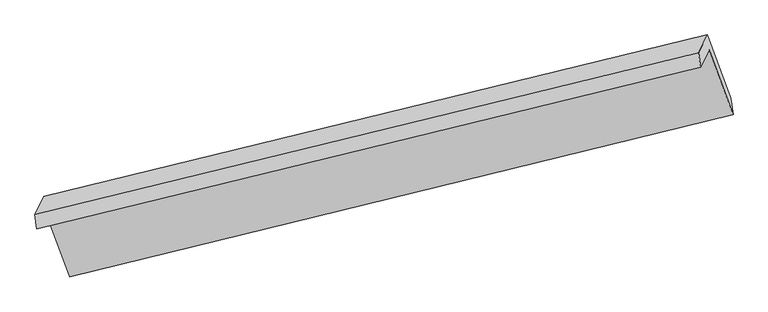
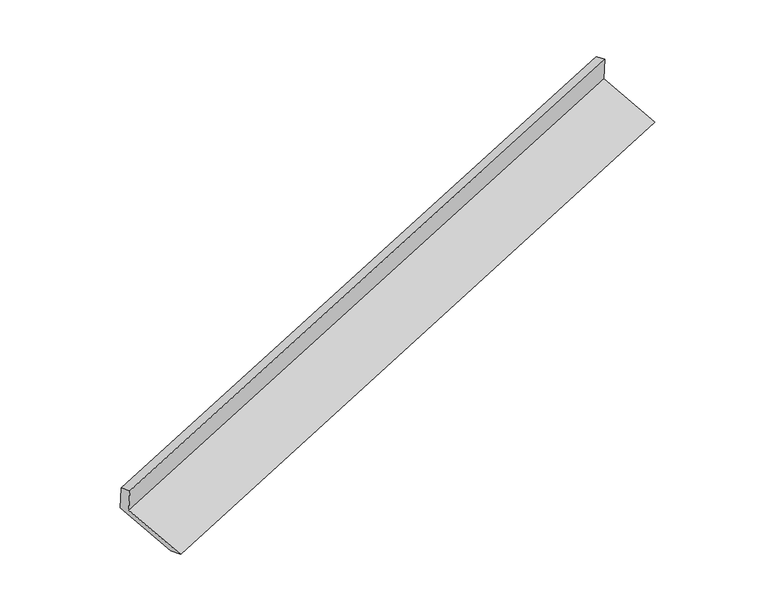
"""IFC4 building model written with IfcOpenShell, lengths in millimetres: proxy geometry."""

from ifc_helpers import new_model, si_unit, origin, place, context, project, spatial, faceted_brep, source, transform, mapped, element, save


def generic_models_59a98849(model_context):
    return source(origin(), model_context, "Body", "Brep", [
        faceted_brep([(-5965.8677524, -2211.8819128, 1273.0658554), (-5888.2482406, -2054.629175, 927.3457747), (91.792519, -596.9612191, 2888.1342872), (14.1730072, -754.2139569, 3233.8543678), (-5983.3726286, -2081.0704989, 1230.4440318), (-3.331869, -623.402543, 3191.2325443), (-5904.210809, -1920.6931327, 877.8544571), (75.8299506, -463.0251769, 2838.6429695), (-5691.2742801, -2499.7731867, 662.2641612), (285.5084314, -1033.2449816, 2626.3513259), (-5670.0061011, -2648.137816, 706.383746), (306.7766104, -1181.6096109, 2670.4709107)], [[[0, 1, 2, 3]], [[4, 0, 3, 5]], [[6, 4, 5, 7]], [[8, 6, 7, 9]], [[10, 8, 9, 11]], [[1, 10, 11, 2]], [[9, 7, 5, 3, 2, 11]], [[1, 0, 4, 6, 8, 10]]]),
    ])


if __name__ == "__main__":
    model = new_model("IFC4")
    model_context = context("Model", 3, world=origin())
    ifc_project = project(units=[si_unit("LENGTHUNIT", "METRE", prefix="MILLI")], contexts=[model_context])
    site = spatial("IfcSite", under=ifc_project)
    building = spatial("IfcBuilding", under=site)
    placement = place(None, origin())
    generic_models_shape = generic_models_59a98849(model_context)
    element("IfcBuildingElementProxy", 1, Name="Generic Models", at=placement, inside=building, context=model_context, shape_type="MappedRepresentation", body=[
        mapped(generic_models_shape, transform((0.0, 0.0, 0.0), x_axis=(1.0, 0.0, 0.0), y_axis=(0.0, 1.0, 0.0), z_axis=(0.0, 0.0, 1.0))),
    ])
    save(model, "model.ifc")
